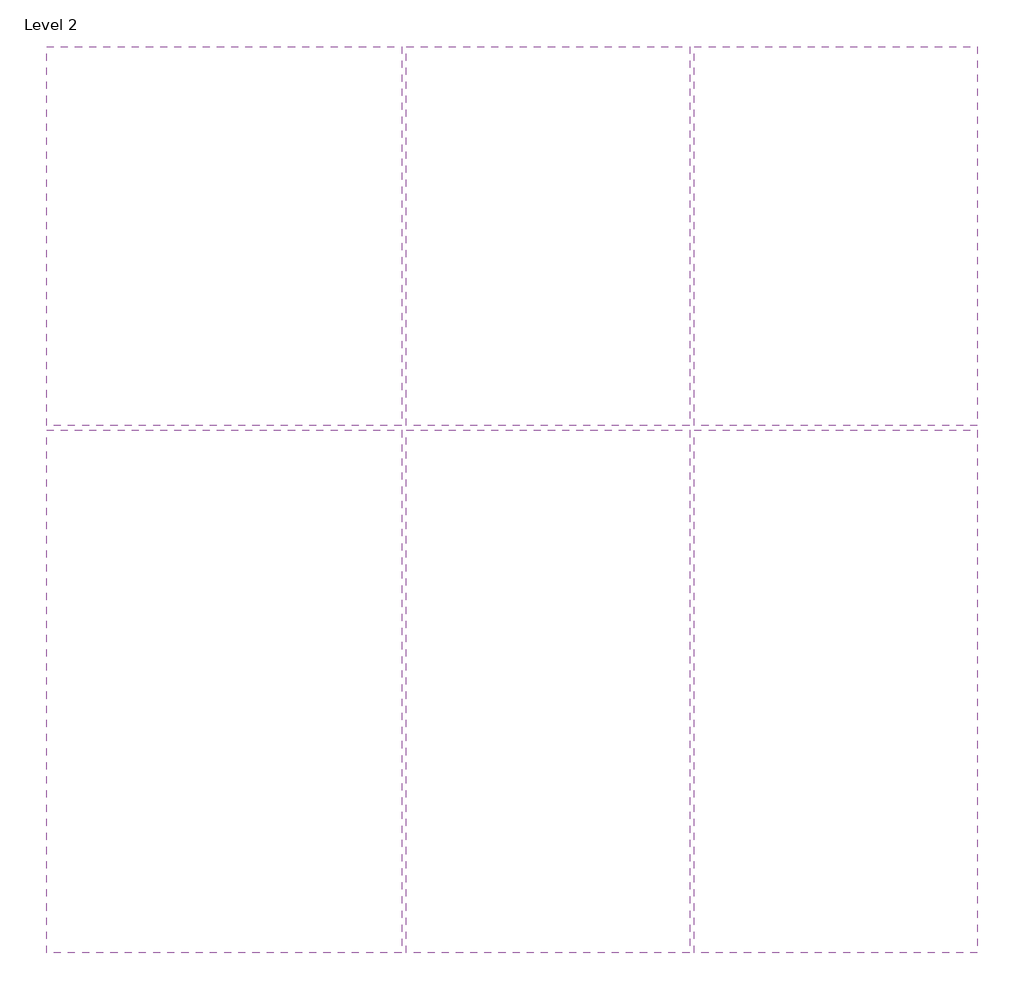
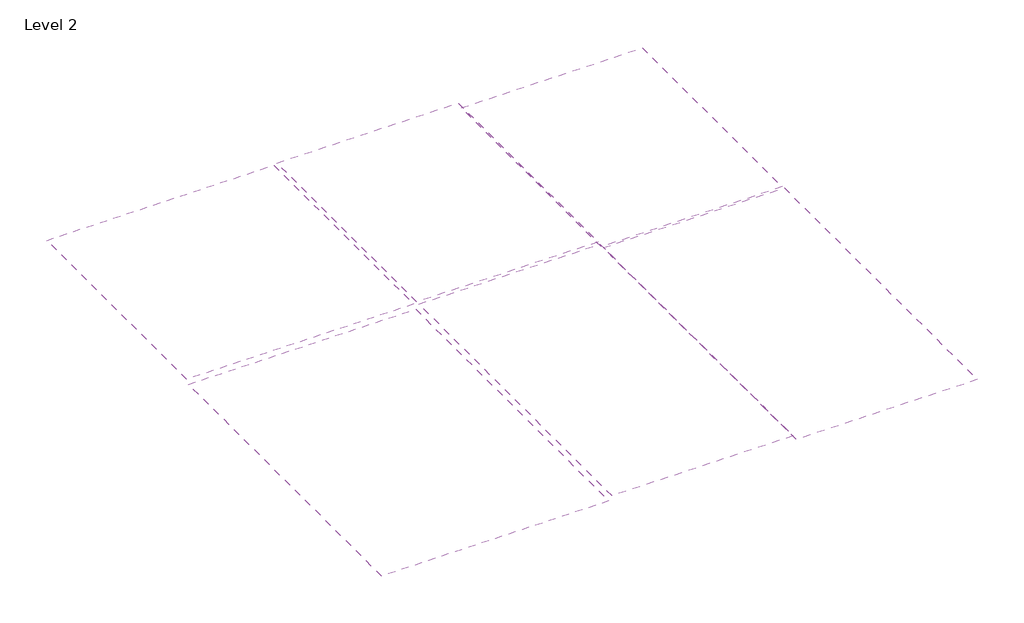
# One storey: 6 coverings.
"""IFC4 building model written with IfcOpenShell, lengths in millimetres."""

from ifc_helpers import new_model, si_unit, frame, origin, place, context, project, spatial, polyline, outline, extrude, element, save

model = new_model("IFC4")

# Units and contexts
model_context = context("Model", 3, world=origin())
ifc_project = project(units=[si_unit("LENGTHUNIT", "METRE", prefix="MILLI")], contexts=[model_context])

# Site, building, storey
site = spatial("IfcSite", under=ifc_project)
building = spatial("IfcBuilding", under=site)
storey = spatial("IfcBuildingStorey", under=building, Name="Level 2", Elevation=3400.0)

# Coverings
placement = place(None, origin())
element("IfcCovering", 1, ObjectType="CE-009_TIMBER ACOUSTIC PANEL", at=placement, inside=storey, context=model_context, shape_type="SweptSolid", body=[
    extrude(outline(polyline([(6380.4861306, 3458.0989493), (-5416.3138694, 3458.0989493), (-5416.3138694, 19254.8989493), (6380.4861306, 19254.8989493), (6380.4861306, 3458.0989493)])), frame((0.0, 0.0, 6200.0), z_axis=(0.0, 0.0, 1.0), x_axis=(1.0, 0.0, 0.0)), (0.0, 0.0, 1.0), 90.0),
])
element("IfcCovering", 2, ObjectType="CE-009_TIMBER ACOUSTIC PANEL", at=placement, inside=storey, context=model_context, shape_type="SweptSolid", body=[
    extrude(outline(polyline([(18380.4861306, 3458.0989493), (6583.6861306, 3458.0989493), (6583.6861306, 19254.8989493), (18380.4861306, 19254.8989493), (18380.4861306, 3458.0989493)])), frame((0.0, 0.0, 5800.0), z_axis=(0.0, 0.0, 1.0), x_axis=(1.0, 0.0, 0.0)), (0.0, 0.0, 1.0), 90.0),
])
element("IfcCovering", 3, ObjectType="CE-009_TIMBER ACOUSTIC PANEL", at=placement, inside=storey, context=model_context, shape_type="SweptSolid", body=[
    extrude(outline(polyline([(-5619.5138694, 3458.0989493), (-20416.3138694, 3458.0989493), (-20416.3138694, 19254.8989493), (-5619.5138694, 19254.8989493), (-5619.5138694, 3458.0989493)])), frame((0.0, 0.0, 6120.0), z_axis=(0.0, 0.0, 1.0), x_axis=(1.0, 0.0, 0.0)), (0.0, 0.0, 1.0), 90.0),
])
element("IfcCovering", 4, ObjectType="CE-009_TIMBER ACOUSTIC PANEL", at=placement, inside=storey, context=model_context, shape_type="SweptSolid", body=[
    extrude(outline(polyline([(6380.4861306, -18541.9010507), (-5416.3138694, -18541.9010507), (-5416.3138694, 3254.8989493), (6380.4861306, 3254.8989493), (6380.4861306, -18541.9010507)])), frame((0.0, 0.0, 6180.0), z_axis=(0.0, 0.0, 1.0), x_axis=(1.0, 0.0, 0.0)), (0.0, 0.0, 1.0), 90.0),
])
element("IfcCovering", 5, ObjectType="CE-009_TIMBER ACOUSTIC PANEL", at=placement, inside=storey, context=model_context, shape_type="SweptSolid", body=[
    extrude(outline(polyline([(18380.4861306, -18541.9010507), (6583.6861306, -18541.9010507), (6583.6861306, 3254.8989493), (18380.4861306, 3254.8989493), (18380.4861306, -18541.9010507)])), frame((0.0, 0.0, 5860.0), z_axis=(0.0, 0.0, 1.0), x_axis=(1.0, 0.0, 0.0)), (0.0, 0.0, 1.0), 90.0),
])
element("IfcCovering", 6, ObjectType="CE-009_TIMBER ACOUSTIC PANEL", at=placement, inside=storey, context=model_context, shape_type="SweptSolid", body=[
    extrude(outline(polyline([(-5619.5138694, -18541.9010507), (-20416.3138694, -18541.9010507), (-20416.3138694, 3254.8989493), (-5619.5138694, 3254.8989493), (-5619.5138694, -18541.9010507)])), frame((0.0, 0.0, 5900.0), z_axis=(0.0, 0.0, 1.0), x_axis=(1.0, 0.0, 0.0)), (0.0, 0.0, 1.0), 90.0),
])

save(model, "model.ifc")
